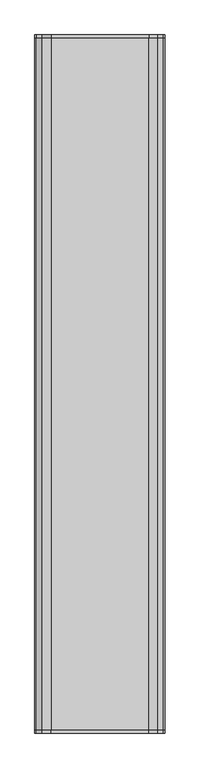
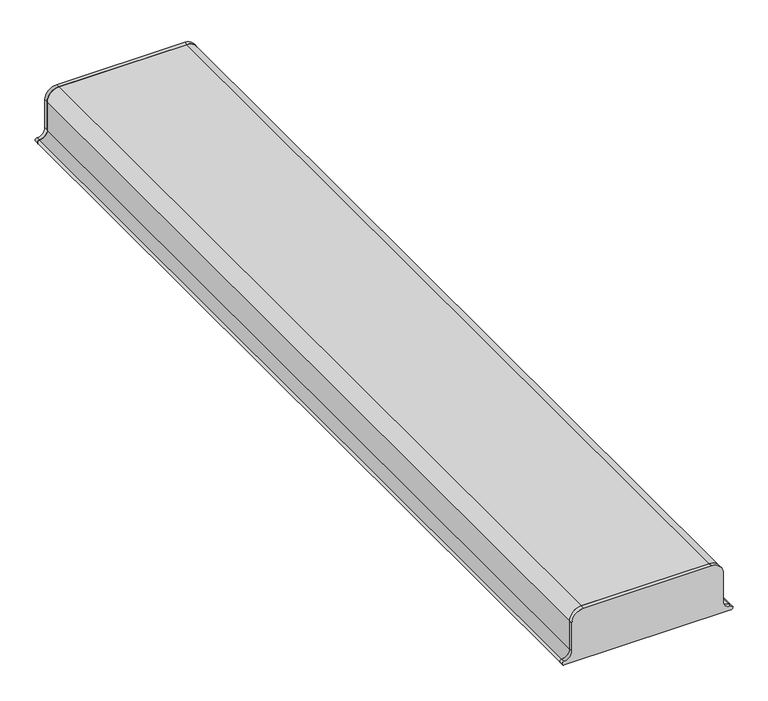
"""IFC4 building model written with IfcOpenShell, lengths in millimetres: proxy geometry."""

from ifc_helpers import new_model, si_unit, point, frame, frame_2d, origin, place, context, project, spatial, polyline, circle_curve, trimmed, segment, composite_curve, outline, extrude, source, transform, mapped, element, save


def generic_models_6a7ee1b7(model_context):
    return source(origin(), model_context, "Body", "SweptSolid", [
        extrude(outline(composite_curve([segment(trimmed(circle_curve(frame_2d((431.1687819, 235.6397011)), 12.7), [point((418.4687819, 235.6397011))], [point((431.1687819, 222.9397011))], True, "CARTESIAN"), True, "CONTINUOUS"), segment(polyline([(431.1687819, 222.9397011), (482.3425919, 222.9397011)]), True, "CONTINUOUS"), segment(trimmed(circle_curve(frame_2d((480.3119736, 203.9982362)), 19.05), [point((482.3425919, 222.9397011))], [point((499.3619736, 203.9982362))], False, "CARTESIAN"), True, "CONTINUOUS"), segment(polyline([(499.3619736, 203.9982362), (499.3619736, -5.6602989)]), True, "CONTINUOUS"), segment(trimmed(circle_curve(frame_2d((480.3119736, -5.6602989)), 19.05), [point((499.3619736, -5.6602989))], [point((480.3119736, -24.7102989))], False, "CARTESIAN"), True, "CONTINUOUS"), segment(polyline([(480.3119736, -24.7102989), (431.1687819, -24.7102989)]), True, "CONTINUOUS"), segment(trimmed(circle_curve(frame_2d((431.1687819, -37.4102989)), 12.7), [point((431.1687819, -24.7102989))], [point((418.4687819, -37.4102989))], True, "CARTESIAN"), True, "CONTINUOUS"), segment(trimmed(circle_curve(frame_2d((415.2937819, -37.4102989)), 3.175), [point((418.4687819, -37.4102989))], [point((412.1187819, -37.4102989))], False, "CARTESIAN"), True, "CONTINUOUS"), segment(polyline([(412.1187819, -37.4102989), (412.1187819, 235.6397011)]), True, "CONTINUOUS"), segment(trimmed(circle_curve(frame_2d((415.2937819, 235.6397011)), 3.175), [point((412.1187819, 235.6397011))], [point((418.4687819, 235.6397011))], False, "CARTESIAN"), True, "CONTINUOUS")], self_intersect=False)), frame((0.0, 741.3625, 0.0), z_axis=(0.0, 1.0, 0.0), x_axis=(0.0, 0.0, 1.0)), (0.0, 0.0, 1.0), 6.35),
        extrude(outline(composite_curve([segment(trimmed(circle_curve(frame_2d((431.1687819, -37.4102989)), 12.7), [point((431.1687819, -24.7102989))], [point((418.4687819, -37.4102989))], True, "CARTESIAN"), True, "CONTINUOUS"), segment(trimmed(circle_curve(frame_2d((415.2937819, -37.4102989)), 3.175), [point((418.4687819, -37.4102989))], [point((412.1187819, -37.4102989))], False, "CARTESIAN"), True, "CONTINUOUS"), segment(polyline([(412.1187819, -37.4102989), (412.1187819, 235.6397011)]), True, "CONTINUOUS"), segment(trimmed(circle_curve(frame_2d((415.2937819, 235.6397011)), 3.175), [point((412.1187819, 235.6397011))], [point((418.4687819, 235.6397011))], False, "CARTESIAN"), True, "CONTINUOUS"), segment(trimmed(circle_curve(frame_2d((431.1687819, 235.6397011)), 12.7), [point((418.4687819, 235.6397011))], [point((431.1687819, 222.9397011))], True, "CARTESIAN"), True, "CONTINUOUS"), segment(polyline([(431.1687819, 222.9397011), (482.3425919, 222.9397011)]), True, "CONTINUOUS"), segment(trimmed(circle_curve(frame_2d((480.3119736, 203.9982362)), 19.05), [point((482.3425919, 222.9397011))], [point((499.3619736, 203.9982362))], False, "CARTESIAN"), True, "CONTINUOUS"), segment(polyline([(499.3619736, 203.9982362), (499.3619736, -5.6602989)]), True, "CONTINUOUS"), segment(trimmed(circle_curve(frame_2d((480.3119736, -5.6602989)), 19.05), [point((499.3619736, -5.6602989))], [point((480.3119736, -24.7102989))], False, "CARTESIAN"), True, "CONTINUOUS"), segment(polyline([(480.3119736, -24.7102989), (431.1687819, -24.7102989)]), True, "CONTINUOUS")], self_intersect=False)), frame((0.0, -747.7125, 0.0), z_axis=(0.0, 1.0, 0.0), x_axis=(0.0, 0.0, 1.0)), (0.0, 0.0, 1.0), 6.35),
        extrude(outline(composite_curve([segment(trimmed(circle_curve(frame_2d((480.3119736, -5.6602989)), 19.05), [point((499.3619736, -5.6602989))], [point((480.3119736, -24.7102989))], False, "CARTESIAN"), True, "CONTINUOUS"), segment(polyline([(480.3119736, -24.7102989), (431.1687819, -24.7102989)]), True, "CONTINUOUS"), segment(trimmed(circle_curve(frame_2d((431.1687819, -37.4102989)), 12.7), [point((431.1687819, -24.7102989))], [point((418.4687819, -37.4102989))], True, "CARTESIAN"), True, "CONTINUOUS"), segment(trimmed(circle_curve(frame_2d((415.2937819, -37.4102989)), 3.175), [point((418.4687819, -37.4102989))], [point((412.1187819, -37.4102989))], False, "CARTESIAN"), True, "CONTINUOUS"), segment(trimmed(circle_curve(frame_2d((431.1687819, -37.4102989)), 19.05), [point((412.1187819, -37.4102989))], [point((431.1687819, -18.3602989))], False, "CARTESIAN"), True, "CONTINUOUS"), segment(polyline([(431.1687819, -18.3602989), (480.3119736, -18.3602989)]), True, "CONTINUOUS"), segment(trimmed(circle_curve(frame_2d((480.3119736, -5.6602989)), 12.7), [point((480.3119736, -18.3602989))], [point((493.0119736, -5.6602989))], True, "CARTESIAN"), True, "CONTINUOUS"), segment(polyline([(493.0119736, -5.6602989), (493.0119736, 203.9982362)]), True, "CONTINUOUS"), segment(trimmed(circle_curve(frame_2d((480.3119736, 203.9982362)), 12.7), [point((493.0119736, 203.9982362))], [point((481.9687819, 216.5897011))], True, "CARTESIAN"), True, "CONTINUOUS"), segment(polyline([(481.9687819, 216.5897011), (431.1687819, 216.5897011)]), True, "CONTINUOUS"), segment(trimmed(circle_curve(frame_2d((431.1687819, 235.6397011)), 19.05), [point((431.1687819, 216.5897011))], [point((412.1187819, 235.6397011))], False, "CARTESIAN"), True, "CONTINUOUS"), segment(trimmed(circle_curve(frame_2d((415.2937819, 235.6397011)), 3.175), [point((412.1187819, 235.6397011))], [point((418.4687819, 235.6397011))], False, "CARTESIAN"), True, "CONTINUOUS"), segment(trimmed(circle_curve(frame_2d((431.1687819, 235.6397011)), 12.7), [point((418.4687819, 235.6397011))], [point((431.1687819, 222.9397011))], True, "CARTESIAN"), True, "CONTINUOUS"), segment(polyline([(431.1687819, 222.9397011), (482.3425919, 222.9397011)]), True, "CONTINUOUS"), segment(trimmed(circle_curve(frame_2d((480.3119736, 203.9982362)), 19.05), [point((482.3425919, 222.9397011))], [point((499.3619736, 203.9982362))], False, "CARTESIAN"), True, "CONTINUOUS"), segment(polyline([(499.3619736, 203.9982362), (499.3619736, -5.6602989)]), True, "CONTINUOUS")], self_intersect=False)), frame((0.0, -741.3625, 0.0), z_axis=(0.0, 1.0, 0.0), x_axis=(0.0, 0.0, 1.0)), (0.0, 0.0, 1.0), 1482.725),
    ])


if __name__ == "__main__":
    model = new_model("IFC4")
    model_context = context("Model", 3, world=origin())
    ifc_project = project(units=[si_unit("LENGTHUNIT", "METRE", prefix="MILLI")], contexts=[model_context])
    site = spatial("IfcSite", under=ifc_project)
    building = spatial("IfcBuilding", under=site)
    placement = place(None, origin())
    generic_models_shape = generic_models_6a7ee1b7(model_context)
    element("IfcBuildingElementProxy", 1, Name="Generic Models", at=placement, inside=building, context=model_context, shape_type="MappedRepresentation", body=[
        mapped(generic_models_shape, transform((0.0, 0.0, 0.0), x_axis=(1.0, 0.0, 0.0), y_axis=(0.0, 1.0, 0.0), z_axis=(0.0, 0.0, 1.0))),
    ])
    save(model, "model.ifc")
